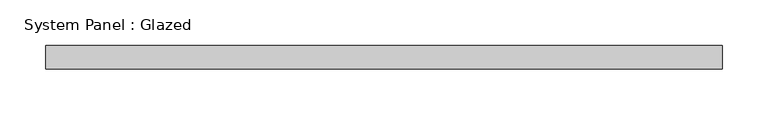
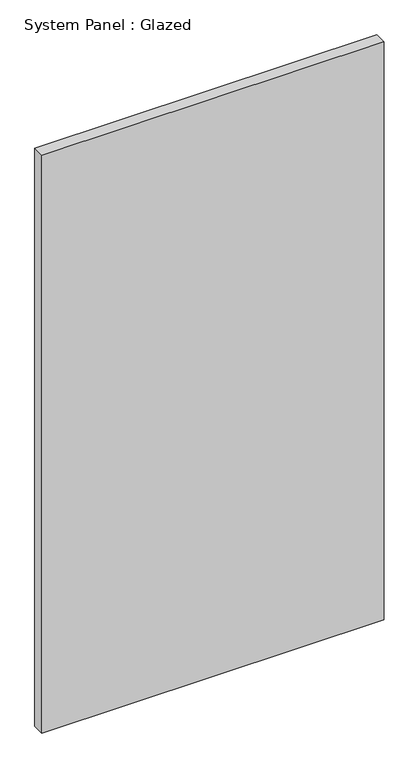
"""IFC4 building model written with IfcOpenShell, lengths in millimetres: plate geometry, System Panel : Glazed."""

from ifc_helpers import new_model, si_unit, origin, origin_with_axes, place, context, project, spatial, polyline, outline, extrude, source, transform, mapped, element, save


def system_panel_glazed_e26348f8(model_context):
    return source(origin(), model_context, "Body", "SweptSolid", [
        extrude(outline(polyline([(368.3, -12.7), (-368.3, -12.7), (-368.3, 12.7), (368.3, 12.7), (368.3, -12.7)])), origin_with_axes(), (0.0, 0.0, 1.0), 1314.45),
    ])


if __name__ == "__main__":
    model = new_model("IFC4")
    model_context = context("Model", 3, world=origin())
    ifc_project = project(units=[si_unit("LENGTHUNIT", "METRE", prefix="MILLI")], contexts=[model_context])
    site = spatial("IfcSite", under=ifc_project)
    building = spatial("IfcBuilding", under=site)
    placement = place(None, origin())
    system_panel_glazed_shape = system_panel_glazed_e26348f8(model_context)
    element("IfcPlate", 1, ObjectType="System Panel : Glazed", at=placement, inside=building, context=model_context, shape_type="MappedRepresentation", body=[
        mapped(system_panel_glazed_shape, transform((0.0, 0.0, 0.0), x_axis=(1.0, 0.0, 0.0), y_axis=(0.0, 1.0, 0.0), z_axis=(0.0, 0.0, 1.0))),
    ])
    save(model, "model.ifc")
